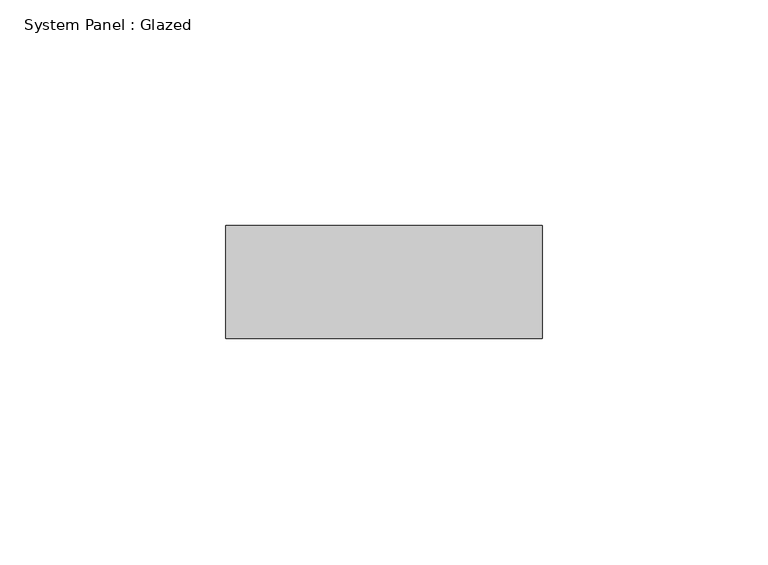
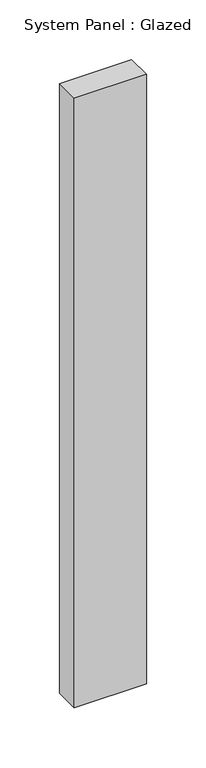
"""IFC4 building model written with IfcOpenShell, lengths in millimetres: plate geometry, System Panel : Glazed."""

from ifc_helpers import new_model, si_unit, origin, origin_with_axes, place, context, project, spatial, polyline, outline, extrude, source, transform, mapped, element, save


def system_panel_glazed_8500ee5d(model_context):
    return source(origin(), model_context, "Body", "SweptSolid", [
        extrude(outline(polyline([(35.0, -49.5), (-35.0, -49.5), (-35.0, -24.5), (35.0, -24.5), (35.0, -49.5)])), origin_with_axes(), (0.0, 0.0, 1.0), 625.0),
    ])


if __name__ == "__main__":
    model = new_model("IFC4")
    model_context = context("Model", 3, world=origin())
    ifc_project = project(units=[si_unit("LENGTHUNIT", "METRE", prefix="MILLI")], contexts=[model_context])
    site = spatial("IfcSite", under=ifc_project)
    building = spatial("IfcBuilding", under=site)
    placement = place(None, origin())
    system_panel_glazed_shape = system_panel_glazed_8500ee5d(model_context)
    element("IfcPlate", 1, ObjectType="System Panel : Glazed", at=placement, inside=building, context=model_context, shape_type="MappedRepresentation", body=[
        mapped(system_panel_glazed_shape, transform((0.0, 0.0, 0.0), x_axis=(1.0, 0.0, 0.0), y_axis=(0.0, 1.0, 0.0), z_axis=(0.0, 0.0, 1.0))),
    ])
    save(model, "model.ifc")
